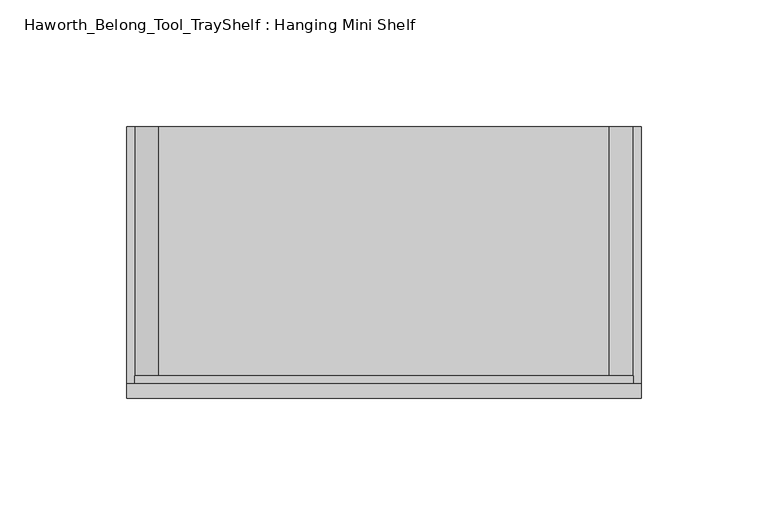
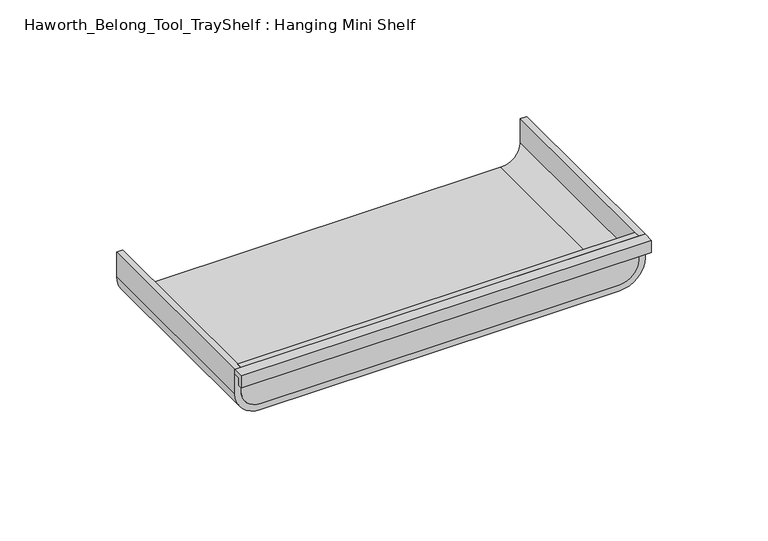
"""IFC4 building model written with IfcOpenShell, lengths in millimetres: furniture geometry, Haworth_Belong_Tool_TrayShelf : Hanging Mini Shelf."""

from ifc_helpers import new_model, si_unit, point, frame, frame_2d, origin, place, context, project, spatial, polyline, circle_curve, trimmed, segment, composite_curve, outline, extrude, source, transform, mapped, element, save


def haworth_belong_tool_trayshelf_hanging_mini_shelf_a4f2ccf3(model_context):
    return source(origin(), model_context, "Body", "SweptSolid", [
        extrude(outline(polyline([(-3.175, 23.01875), (-3.175, 19.05), (-5.55625, 19.05), (-5.55625, 25.4), (0.0, 25.4), (0.0, 23.01875), (-3.175, 23.01875)])), frame((63.5, 0.0, 0.0), z_axis=(1.0, 0.0, 0.0), x_axis=(0.0, 1.0, 0.0)), (0.0, 0.0, 1.0), 203.2),
        extrude(outline(composite_curve([segment(polyline([(25.4, 263.525), (25.4, 66.675), (12.7, 66.675)]), True, "CONTINUOUS"), segment(trimmed(circle_curve(frame_2d((12.7, 76.2)), 9.525), [point((12.7, 66.675))], [point((3.175, 76.2))], False, "CARTESIAN"), True, "CONTINUOUS"), segment(polyline([(3.175, 76.2), (3.175, 254.0)]), True, "CONTINUOUS"), segment(trimmed(circle_curve(frame_2d((12.7, 254.0)), 9.525), [point((3.175, 254.0))], [point((12.7, 263.525))], False, "CARTESIAN"), True, "CONTINUOUS"), segment(polyline([(12.7, 263.525), (25.4, 263.525)]), True, "CONTINUOUS")], self_intersect=False)), frame((0.0, 0.0, 0.0), z_axis=(0.0, 1.0, 0.0), x_axis=(0.0, 0.0, 1.0)), (0.0, 0.0, 1.0), 3.175),
        extrude(outline(composite_curve([segment(polyline([(25.4, 63.5), (12.7, 63.5)]), True, "CONTINUOUS"), segment(trimmed(circle_curve(frame_2d((12.7, 76.2)), 12.7), [point((12.7, 63.5))], [point((0.0, 76.2))], False, "CARTESIAN"), True, "CONTINUOUS"), segment(polyline([(0.0, 76.2), (0.0, 254.0)]), True, "CONTINUOUS"), segment(trimmed(circle_curve(frame_2d((12.7, 254.0)), 12.7), [point((0.0, 254.0))], [point((12.7, 266.7))], False, "CARTESIAN"), True, "CONTINUOUS"), segment(polyline([(12.7, 266.7), (25.4, 266.7), (25.4, 263.525), (12.7, 263.525)]), True, "CONTINUOUS"), segment(trimmed(circle_curve(frame_2d((12.7, 254.0)), 9.525), [point((12.7, 263.525))], [point((3.175, 254.0))], True, "CARTESIAN"), True, "CONTINUOUS"), segment(polyline([(3.175, 254.0), (3.175, 76.2)]), True, "CONTINUOUS"), segment(trimmed(circle_curve(frame_2d((12.7, 76.2)), 9.525), [point((3.175, 76.2))], [point((12.7, 66.675))], True, "CARTESIAN"), True, "CONTINUOUS"), segment(polyline([(12.7, 66.675), (25.4, 66.675), (25.4, 63.5)]), True, "CONTINUOUS")], self_intersect=False)), frame((0.0, 0.0, 0.0), z_axis=(0.0, 1.0, 0.0), x_axis=(0.0, 0.0, 1.0)), (0.0, 0.0, 1.0), 101.6),
    ])


if __name__ == "__main__":
    model = new_model("IFC4")
    model_context = context("Model", 3, world=origin())
    ifc_project = project(units=[si_unit("LENGTHUNIT", "METRE", prefix="MILLI")], contexts=[model_context])
    site = spatial("IfcSite", under=ifc_project)
    building = spatial("IfcBuilding", under=site)
    placement = place(None, origin())
    haworth_belong_tool_trayshelf_hanging_mini_shelf_shape = haworth_belong_tool_trayshelf_hanging_mini_shelf_a4f2ccf3(model_context)
    element("IfcFurniture", 1, ObjectType="Haworth_Belong_Tool_TrayShelf : Hanging Mini Shelf", at=placement, inside=building, context=model_context, shape_type="MappedRepresentation", body=[
        mapped(haworth_belong_tool_trayshelf_hanging_mini_shelf_shape, transform((0.0, 0.0, 0.0), x_axis=(1.0, 0.0, 0.0), y_axis=(0.0, 1.0, 0.0), z_axis=(0.0, 0.0, 1.0))),
    ])
    save(model, "model.ifc")
